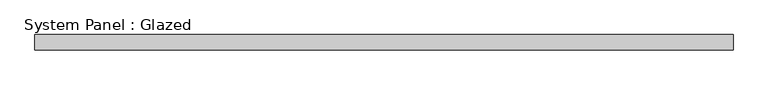
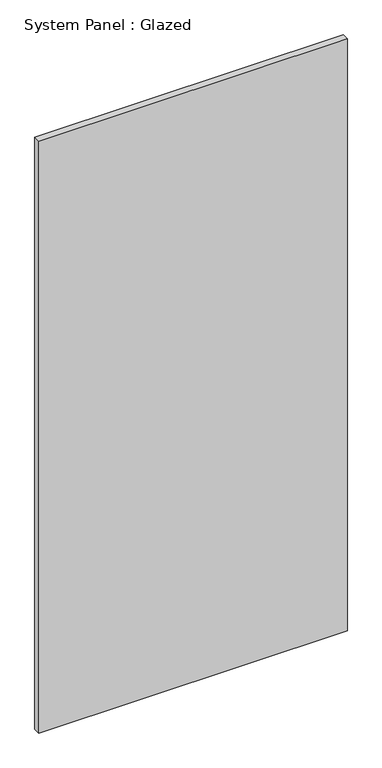
"""IFC4 building model written with IfcOpenShell, lengths in millimetres: plate geometry, System Panel : Glazed."""

import ifcopenshell
import ifcopenshell.guid

model = None  # the IFC model being written
_history = None  # IfcOwnerHistory: only IFC2X3 demands one
_inside = {}  # id of a spatial element -> (the spatial element, [elements in it])
_under = {}  # id of a project, library or spatial element -> (it, [spatial elements below it])
_declared = {}  # id of a project -> (the project, [libraries it declares])
_typed = {}  # id of a type object -> (the type object, [elements of that type])
_made_of = {}  # id of a material, layer set ... -> (it, [elements and type objects made of it])


def new_model(schema):
    """Start an empty IFC model of exactly this schema.

    Asked for "IFC4X3", IfcOpenShell would pick the latest addendum, in which some entities
    have other attributes; the version numbers below select the first issue.
    IFC2X3 requires an IfcOwnerHistory on every rooted entity: one is made here for all.
    """
    global model, _history
    if schema == "IFC4X3":
        model = ifcopenshell.file(schema_version=(4, 3, 0, 0))
    else:
        model = ifcopenshell.file(schema=schema)
    _inside.clear()
    _under.clear()
    _declared.clear()
    _typed.clear()
    _made_of.clear()
    _history = None
    if model.schema == "IFC2X3":
        org = make("IfcOrganization", Name="unknown")
        user = make(
            "IfcPersonAndOrganization",
            ThePerson=make("IfcPerson", FamilyName="unknown"),
            TheOrganization=org,
        )
        app = make(
            "IfcApplication",
            ApplicationDeveloper=org,
            Version="unknown",
            ApplicationFullName="unknown",
            ApplicationIdentifier="unknown",
        )
        _history = make(
            "IfcOwnerHistory",
            OwningUser=user,
            OwningApplication=app,
            ChangeAction="ADDED",
            CreationDate=0,
        )
    return model


def make(cls, **values):
    """One entity of the class cls with the attributes given. An attribute that is None is left unset."""
    return model.create_entity(
        cls, **{name: value for name, value in values.items() if value is not None}
    )


def rooted(cls, **values):
    """An entity with a GlobalId (a new one), such as an element, a storey or a relation."""
    return make(cls, GlobalId=ifcopenshell.guid.new(), OwnerHistory=_history, **values)


def si_unit(unit_type, name, prefix=None):
    """IfcSIUnit, for example si_unit("LENGTHUNIT", "METRE", prefix="MILLI")."""
    return make("IfcSIUnit", UnitType=unit_type, Prefix=prefix, Name=name)


def assignment(units):
    """IfcUnitAssignment: the units of a project."""
    return None if units is None else make("IfcUnitAssignment", Units=units)


def point(xyz):
    """IfcCartesianPoint."""
    return None if xyz is None else make("IfcCartesianPoint", Coordinates=xyz)


def direction(xyz):
    """IfcDirection."""
    return None if xyz is None else make("IfcDirection", DirectionRatios=xyz)


def frame(location, z_axis=None, x_axis=None):
    """IfcAxis2Placement3D, a coordinate frame: its origin and axes. An axis left out is left unset."""
    return make(
        "IfcAxis2Placement3D",
        Location=point(location),
        Axis=direction(z_axis),
        RefDirection=direction(x_axis),
    )


def origin():
    """The frame at (0, 0, 0) with its axes left unset."""
    return frame((0.0, 0.0, 0.0))


def origin_with_axes():
    """The frame at (0, 0, 0) with the z axis (0, 0, 1) and the x axis (1, 0, 0) written out."""
    return frame((0.0, 0.0, 0.0), z_axis=(0.0, 0.0, 1.0), x_axis=(1.0, 0.0, 0.0))


def place(relative_to, where):
    """IfcLocalPlacement: puts the frame where relative to a parent placement (None: the world)."""
    return make(
        "IfcLocalPlacement", PlacementRelTo=relative_to, RelativePlacement=where
    )


def context(
    kind, dimensions, precision=None, world=None, true_north=None, identifier=None
):
    """IfcGeometricRepresentationContext, for example the 3D "Model" context."""
    return make(
        "IfcGeometricRepresentationContext",
        ContextIdentifier=identifier,
        ContextType=kind,
        CoordinateSpaceDimension=dimensions,
        Precision=precision,
        WorldCoordinateSystem=world,
        TrueNorth=true_north,
    )


def project(units=None, contexts=None):
    """IfcProject with its units and contexts."""
    return rooted(
        "IfcProject",
        Name="project",
        RepresentationContexts=contexts,
        UnitsInContext=assignment(units),
    )


def spatial(cls, under=None, at=None, **own):
    """A site, building, storey or space (cls), placed at a placement, below another one or the project."""
    s = rooted(cls, ObjectPlacement=at, **own)
    if under is not None:
        _under.setdefault(under.id(), (under, []))[1].append(s)
    return s


def polyline(points):
    """IfcPolyline through the points."""
    return make("IfcPolyline", Points=[point(p) for p in points])


def outline(outer, holes=None, kind="AREA"):
    """IfcArbitraryClosedProfileDef: a profile drawn as a closed curve; with holes, ...WithVoids."""
    if holes is None:
        return make("IfcArbitraryClosedProfileDef", ProfileType=kind, OuterCurve=outer)
    return make(
        "IfcArbitraryProfileDefWithVoids",
        ProfileType=kind,
        OuterCurve=outer,
        InnerCurves=holes,
    )


def extrude(swept, where, along, depth):
    """IfcExtrudedAreaSolid: the profile swept, set in the frame where, extruded along a direction by depth."""
    return make(
        "IfcExtrudedAreaSolid",
        SweptArea=swept,
        Position=where,
        ExtrudedDirection=direction(along),
        Depth=depth,
    )


def shape(context_of_items, identifier, shape_type, items):
    """IfcShapeRepresentation: the items that make up one representation, for example the "Body"."""
    return make(
        "IfcShapeRepresentation",
        ContextOfItems=context_of_items,
        RepresentationIdentifier=identifier,
        RepresentationType=shape_type,
        Items=items,
    )


def source(mapping_origin, context_of_items, identifier, shape_type, items):
    """IfcRepresentationMap: a shape defined once, which mapped items show again and again."""
    return make(
        "IfcRepresentationMap",
        MappingOrigin=mapping_origin,
        MappedRepresentation=shape(context_of_items, identifier, shape_type, items),
    )


def transform(
    local_origin,
    x_axis=None,
    y_axis=None,
    z_axis=None,
    scale=None,
    scale2=None,
    scale3=None,
    uniform=True,
):
    """IfcCartesianTransformationOperator3D, or its non-uniform kind. x_axis, y_axis, z_axis: its Axis1, 2, 3."""
    if uniform:
        return make(
            "IfcCartesianTransformationOperator3D",
            Axis1=direction(x_axis),
            Axis2=direction(y_axis),
            LocalOrigin=point(local_origin),
            Scale=scale,
            Axis3=direction(z_axis),
        )
    return make(
        "IfcCartesianTransformationOperator3DnonUniform",
        Axis1=direction(x_axis),
        Axis2=direction(y_axis),
        LocalOrigin=point(local_origin),
        Scale=scale,
        Axis3=direction(z_axis),
        Scale2=scale2,
        Scale3=scale3,
    )


def mapped(mapping_source, mapping_target):
    """IfcMappedItem: shows the shape of a source again, moved by a transform."""
    return make(
        "IfcMappedItem", MappingSource=mapping_source, MappingTarget=mapping_target
    )


def made_of(thing, what):
    """Note that an element or type object is made of a material, layer set ...; save() writes the relation."""
    if what is not None:
        _made_of.setdefault(what.id(), (what, []))[1].append(thing)
    return thing


def element(
    cls,
    number,
    at=None,
    inside=None,
    cuts=None,
    type_object=None,
    material=None,
    context=None,
    identifier="Body",
    shape_type=None,
    held_by="IfcProductDefinitionShape",
    body=None,
    shapes=None,
    **own,
):
    """One element of the class cls, such as IfcWall. Its Tag is "e" and its number.

    at: its placement. inside: the storey or other place that contains it. cuts: it is an
    opening in that element (IfcRelVoidsElement). A single representation is given by context,
    identifier, shape_type and body (its items); several are given by shapes. held_by: the class
    of the entity that holds the representations. save() writes the other relations.
    """
    e = rooted(cls, Tag="e%d" % number, ObjectPlacement=at, **own)
    if body is not None:
        shapes = [shape(context, identifier, shape_type, body)]
    if shapes is not None:
        e.Representation = make(held_by, Representations=shapes)
    if inside is not None:
        _inside.setdefault(inside.id(), (inside, []))[1].append(e)
    if cuts is not None:
        rooted(
            "IfcRelVoidsElement", RelatingBuildingElement=cuts, RelatedOpeningElement=e
        )
    if type_object is not None:
        _typed.setdefault(type_object.id(), (type_object, []))[1].append(e)
    return made_of(e, material)


def aggregate(whole, parts):
    """IfcRelAggregates: a whole, such as a stair, and the parts it consists of."""
    return rooted("IfcRelAggregates", RelatingObject=whole, RelatedObjects=parts)


def save(model, path):
    """Write the relations noted so far, then the file.

    IfcRelAggregates (storeys below a building ...), IfcRelContainedInSpatialStructure (elements
    in a storey), IfcRelDefinesByType, IfcRelAssociatesMaterial and IfcRelDeclares: one each for
    every whole, place, type object, material and project.
    """
    for whole, parts in _under.values():
        aggregate(whole, parts)
    for where, things in _inside.values():
        rooted(
            "IfcRelContainedInSpatialStructure",
            RelatedElements=things,
            RelatingStructure=where,
        )
    for kind, things in _typed.values():
        rooted("IfcRelDefinesByType", RelatedObjects=things, RelatingType=kind)
    for what, things in _made_of.values():
        rooted("IfcRelAssociatesMaterial", RelatedObjects=things, RelatingMaterial=what)
    for by, libraries in _declared.values():
        rooted("IfcRelDeclares", RelatingContext=by, RelatedDefinitions=libraries)
    model.write(path)


def system_panel_glazed_082091c3(model_context):
    return source(origin(), model_context, "Body", "SweptSolid", [
        extrude(outline(polyline([(573.3286751, 24.5), (-573.3286751, 24.5), (-573.3286751, 49.5), (573.3286751, 49.5), (573.3286751, 24.5)])), origin_with_axes(), (0.0, 0.0, 1.0), 2325.0),
    ])


if __name__ == "__main__":
    model = new_model("IFC4")
    model_context = context("Model", 3, world=origin())
    ifc_project = project(units=[si_unit("LENGTHUNIT", "METRE", prefix="MILLI")], contexts=[model_context])
    site = spatial("IfcSite", under=ifc_project)
    building = spatial("IfcBuilding", under=site)
    placement = place(None, origin())
    system_panel_glazed_shape = system_panel_glazed_082091c3(model_context)
    element("IfcPlate", 1, ObjectType="System Panel : Glazed", at=placement, inside=building, context=model_context, shape_type="MappedRepresentation", body=[
        mapped(system_panel_glazed_shape, transform((0.0, 0.0, 0.0), x_axis=(1.0, 0.0, 0.0), y_axis=(0.0, 1.0, 0.0), z_axis=(0.0, 0.0, 1.0))),
    ])
    save(model, "model.ifc")
